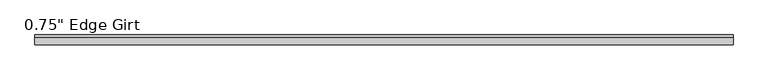
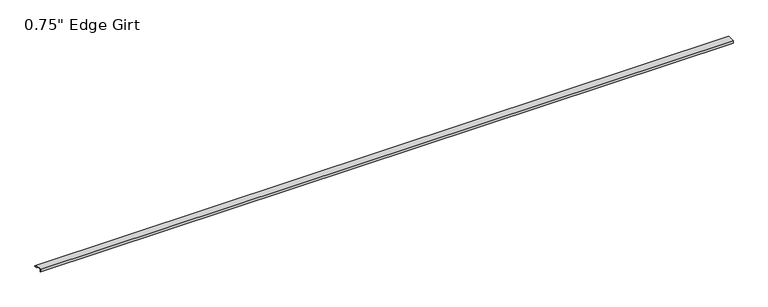
"""IFC4 building model written with IfcOpenShell, lengths in millimetres: proxy geometry."""

from ifc_helpers import new_model, si_unit, frame, origin, place, context, project, spatial, polyline, outline, extrude, source, transform, mapped, element, save


def proxy_45b50652(model_context):
    return source(origin(), model_context, "Body", "SweptSolid", [
        extrude(outline(polyline([(46.0559645, -17.4375), (25.4, -17.4375), (25.4, 0.0), (-25.4, 0.0), (-25.4, -17.4375), (-27.0129, -17.4375), (-27.0129, 1.6129), (27.0129, 1.6129), (27.0129, -15.8242), (46.0559645, -15.8242), (46.0559645, -17.4375)])), frame((0.0, 0.0, 0.0), z_axis=(1.0, 0.0, 0.0), x_axis=(0.0, 1.0, 0.0)), (0.0, 0.0, 1.0), 5127.9732408),
    ])


if __name__ == "__main__":
    model = new_model("IFC4")
    model_context = context("Model", 3, world=origin())
    ifc_project = project(units=[si_unit("LENGTHUNIT", "METRE", prefix="MILLI")], contexts=[model_context])
    site = spatial("IfcSite", under=ifc_project)
    building = spatial("IfcBuilding", under=site)
    placement = place(None, origin())
    proxy_shape = proxy_45b50652(model_context)
    element("IfcBuildingElementProxy", 1, Name="0.75\" Edge Girt", ObjectType="0.75\" Edge Girt", at=placement, inside=building, context=model_context, shape_type="MappedRepresentation", body=[
        mapped(proxy_shape, transform((0.0, 0.0, 0.0), x_axis=(1.0, 0.0, 0.0), y_axis=(0.0, 1.0, 0.0), z_axis=(0.0, 0.0, 1.0))),
    ])
    save(model, "model.ifc")
